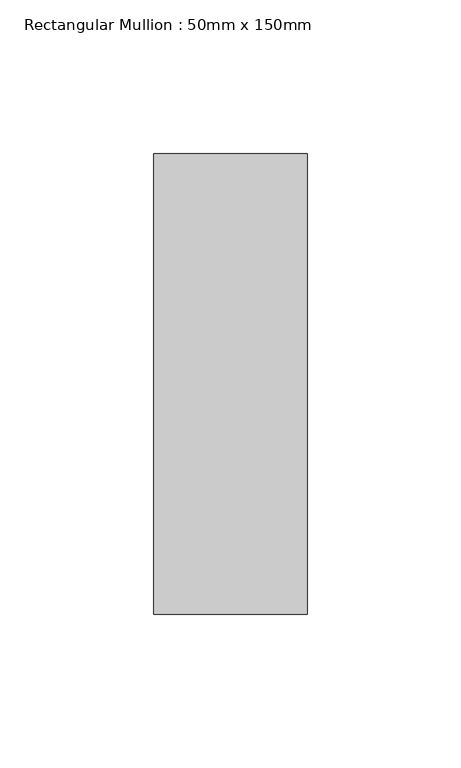
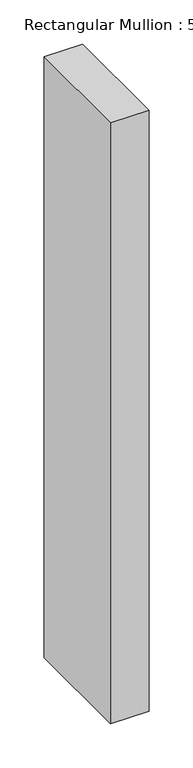
"""IFC4 building model written with IfcOpenShell, lengths in millimetres: member geometry, Rectangular Mullion : 50mm x 150mm."""

from ifc_helpers import new_model, si_unit, frame, origin, place, context, project, spatial, polyline, outline, extrude, source, transform, mapped, element, save


def rectangular_mullion_50mm_x_150mm_d917eca0(model_context):
    return source(origin(), model_context, "Body", "SweptSolid", [
        extrude(outline(polyline([(0.0, 75.0), (0.0, -75.0), (-50.0, -75.0), (-50.0, 75.0), (0.0, 75.0)])), frame((0.0, 0.0, -828.3442596), z_axis=(0.0, 0.0, 1.0), x_axis=(1.0, 0.0, 0.0)), (0.0, 0.0, 1.0), 828.3442596),
    ])


if __name__ == "__main__":
    model = new_model("IFC4")
    model_context = context("Model", 3, world=origin())
    ifc_project = project(units=[si_unit("LENGTHUNIT", "METRE", prefix="MILLI")], contexts=[model_context])
    site = spatial("IfcSite", under=ifc_project)
    building = spatial("IfcBuilding", under=site)
    placement = place(None, origin())
    rectangular_mullion_50mm_x_150mm_shape = rectangular_mullion_50mm_x_150mm_d917eca0(model_context)
    element("IfcMember", 1, ObjectType="Rectangular Mullion : 50mm x 150mm", at=placement, inside=building, context=model_context, shape_type="MappedRepresentation", body=[
        mapped(rectangular_mullion_50mm_x_150mm_shape, transform((0.0, 0.0, 0.0), x_axis=(1.0, 0.0, 0.0), y_axis=(0.0, 1.0, 0.0), z_axis=(0.0, 0.0, 1.0))),
    ])
    save(model, "model.ifc")
